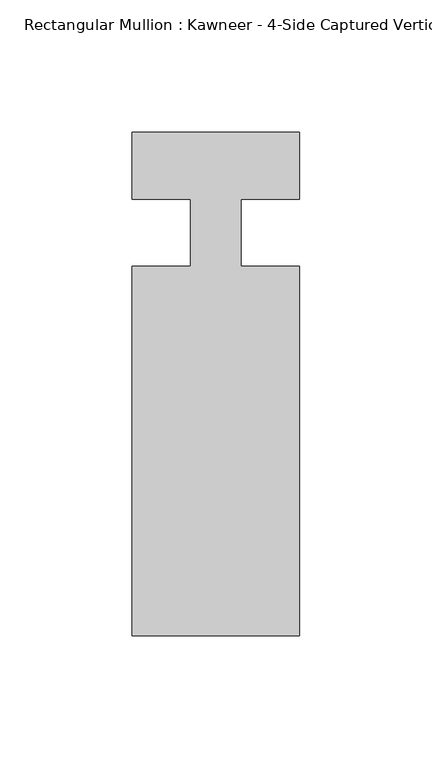
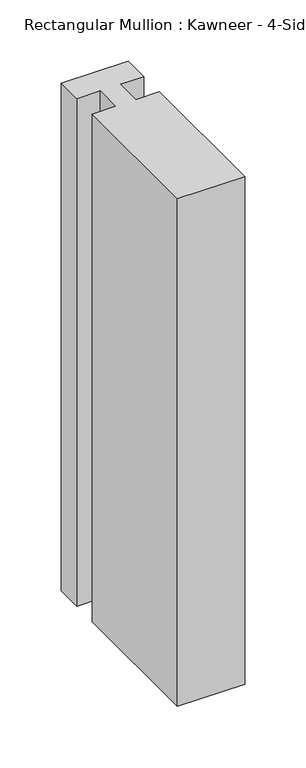
"""IFC4 building model written with IfcOpenShell, lengths in millimetres: member geometry."""

from ifc_helpers import new_model, si_unit, frame, origin, place, context, project, spatial, polyline, outline, extrude, source, transform, mapped, element, save


def member_9e45158c(model_context):
    return source(origin(), model_context, "Body", "SweptSolid", [
        extrude(outline(polyline([(-9.5251132, 12.7), (-31.75, 12.7), (-31.75, 38.1), (31.75, 38.1), (31.75, 12.7), (9.5251132, 12.7), (9.5251132, -12.7), (31.75, -12.7), (31.75, -152.399995), (-31.75, -152.399995), (-31.75, -12.7), (-9.5251132, -12.7), (-9.5251132, 12.7)])), frame((0.0, 0.0, -507.51022), z_axis=(0.0, 0.0, 1.0), x_axis=(1.0, 0.0, 0.0)), (0.0, 0.0, 1.0), 507.51022),
    ])


if __name__ == "__main__":
    model = new_model("IFC4")
    model_context = context("Model", 3, world=origin())
    ifc_project = project(units=[si_unit("LENGTHUNIT", "METRE", prefix="MILLI")], contexts=[model_context])
    site = spatial("IfcSite", under=ifc_project)
    building = spatial("IfcBuilding", under=site)
    placement = place(None, origin())
    member_shape = member_9e45158c(model_context)
    element("IfcMember", 1, ObjectType="Rectangular Mullion : Kawneer - 4-Side Captured Vertical Mullion - 7 1/2\"", at=placement, inside=building, context=model_context, shape_type="MappedRepresentation", body=[
        mapped(member_shape, transform((0.0, 0.0, 0.0), x_axis=(1.0, 0.0, 0.0), y_axis=(0.0, 1.0, 0.0), z_axis=(0.0, 0.0, 1.0))),
    ])
    save(model, "model.ifc")
